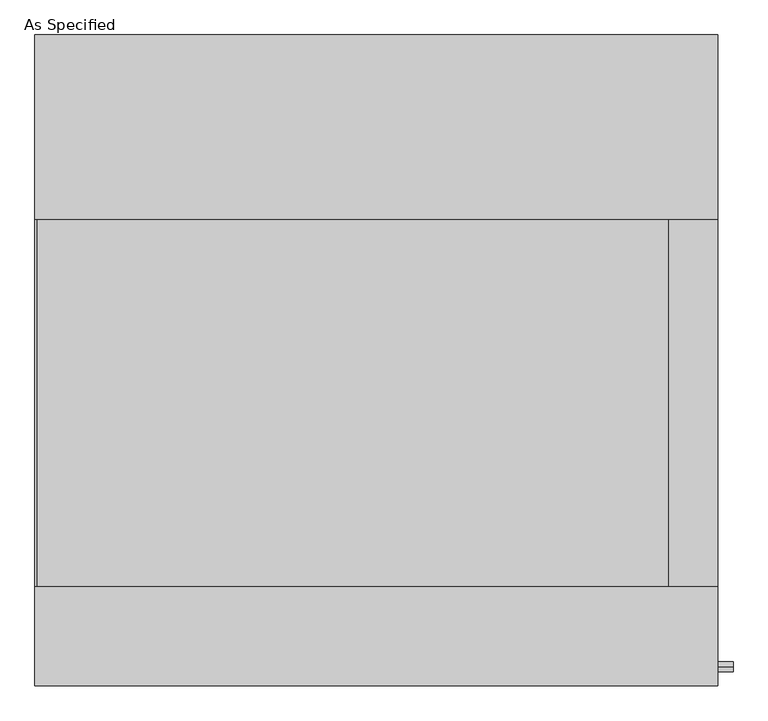
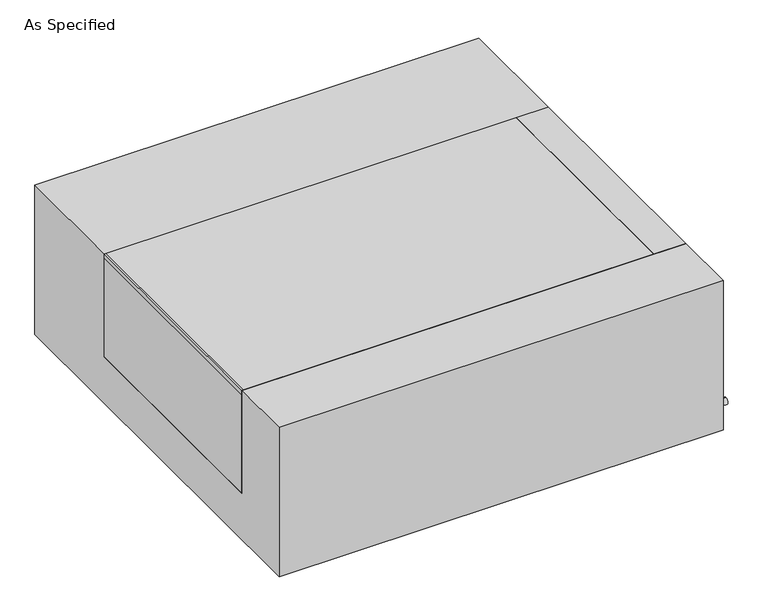
"""IFC4 building model written with IfcOpenShell, lengths in millimetres: proxy geometry, As Specified."""

from ifc_helpers import new_model, si_unit, point, frame, frame_2d, origin, place, context, project, spatial, polyline, circle_curve, trimmed, segment, composite_curve, outline, extrude, source, transform, mapped, element, save


def as_specified_aaed95c1(model_context):
    return source(origin(), model_context, "Body", "SweptSolid", [
        extrude(outline(composite_curve([segment(trimmed(circle_curve(frame_2d((-636.5875, -466.725)), 10.5), [point((-636.5875, -456.225))], [point((-636.5875, -477.225))], False, "CARTESIAN"), True, "CONTINUOUS"), segment(trimmed(circle_curve(frame_2d((-636.5875, -466.725)), 10.5), [point((-636.5875, -477.225))], [point((-636.5875, -456.225))], False, "CARTESIAN"), True, "CONTINUOUS")], self_intersect=False)), frame((709.6125, 0.0, 0.0), z_axis=(1.0, 0.0, 0.0), x_axis=(0.0, 1.0, 0.0)), (0.0, 0.0, 1.0), 31.8403384),
        extrude(outline(polyline([(607.21875, -469.9), (607.21875, 292.1), (709.6125, 292.1), (709.6125, -469.9), (607.21875, -469.9)])), frame((0.0, 0.0, -373.0625), z_axis=(0.0, 0.0, 1.0), x_axis=(1.0, 0.0, 0.0)), (0.0, 0.0, 1.0), 347.6625),
        extrude(outline(polyline([(-705.64375, -469.9), (-709.6125, -469.9), (-709.6125, 292.1), (-705.64375, 292.1), (-705.64375, -469.9)])), frame((0.0, 0.0, -39.6875), z_axis=(0.0, 0.0, 1.0), x_axis=(1.0, 0.0, 0.0)), (0.0, 0.0, 1.0), 14.2875),
        extrude(outline(polyline([(607.21875, 292.1), (607.21875, -469.9), (-709.6125, -469.9), (-709.6125, 292.1), (607.21875, 292.1)])), frame((0.0, 0.0, -373.0625), z_axis=(0.0, 0.0, 1.0), x_axis=(1.0, 0.0, 0.0)), (0.0, 0.0, 1.0), 347.6625),
        extrude(outline(polyline([(676.275, -25.4), (676.275, -530.225), (-676.275, -530.225), (-676.275, -25.4), (-469.9, -25.4), (-469.9, -373.0625), (292.1, -373.0625), (292.1, -25.4), (676.275, -25.4)])), frame((-709.6125, 0.0, 0.0), z_axis=(1.0, 0.0, 0.0), x_axis=(0.0, 1.0, 0.0)), (0.0, 0.0, 1.0), 1419.225),
    ])


if __name__ == "__main__":
    model = new_model("IFC4")
    model_context = context("Model", 3, world=origin())
    ifc_project = project(units=[si_unit("LENGTHUNIT", "METRE", prefix="MILLI")], contexts=[model_context])
    site = spatial("IfcSite", under=ifc_project)
    building = spatial("IfcBuilding", under=site)
    placement = place(None, origin())
    as_specified_shape = as_specified_aaed95c1(model_context)
    element("IfcBuildingElementProxy", 1, Name="As Specified", ObjectType="As Specified", at=placement, inside=building, context=model_context, shape_type="MappedRepresentation", body=[
        mapped(as_specified_shape, transform((0.0, 0.0, 0.0), x_axis=(1.0, 0.0, 0.0), y_axis=(0.0, 1.0, 0.0), z_axis=(0.0, 0.0, 1.0))),
    ])
    save(model, "model.ifc")
